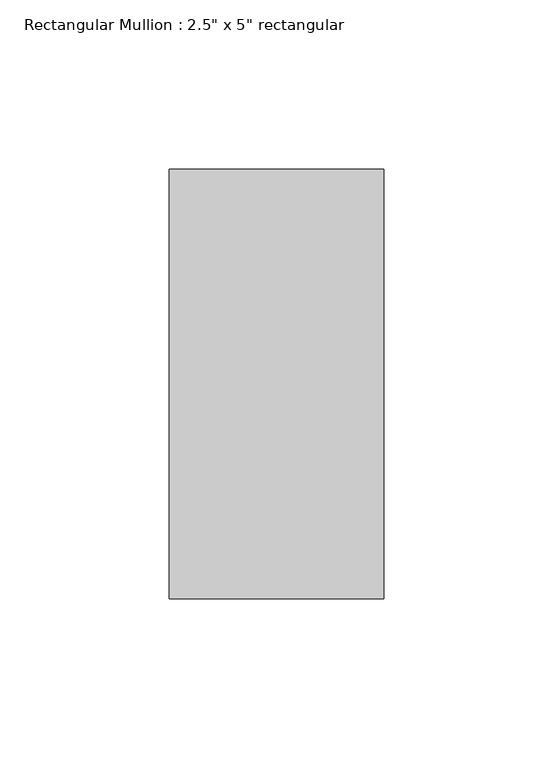
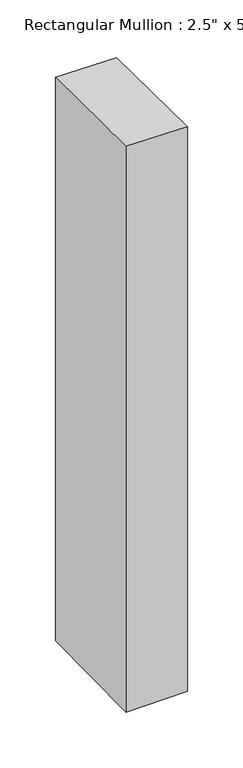
"""IFC4 building model written with IfcOpenShell, lengths in millimetres: member geometry."""

from ifc_helpers import new_model, si_unit, origin, place, context, project, spatial, faceted_brep, source, transform, mapped, element, save


def member_e09c535d(model_context):
    return source(origin(), model_context, "Body", "Brep", [
        faceted_brep([(-63.5, 63.5, -0.0301392), (0.0, 63.5, -0.7491185), (0.0, 63.5, -616.6728451), (-63.5, 63.5, -617.352543), (-63.5, -63.5, 1.4680977), (-63.5, -63.5, -618.8402354), (0.0, -63.5, 0.7491185), (0.0, -63.5, -618.1605375)], [[[0, 1, 2, 3]], [[4, 0, 3, 5]], [[6, 4, 5, 7]], [[1, 6, 7, 2]], [[1, 0, 4, 6]], [[2, 7, 5, 3]]]),
    ])


if __name__ == "__main__":
    model = new_model("IFC4")
    model_context = context("Model", 3, world=origin())
    ifc_project = project(units=[si_unit("LENGTHUNIT", "METRE", prefix="MILLI")], contexts=[model_context])
    site = spatial("IfcSite", under=ifc_project)
    building = spatial("IfcBuilding", under=site)
    placement = place(None, origin())
    member_shape = member_e09c535d(model_context)
    element("IfcMember", 1, ObjectType="Rectangular Mullion : 2.5\" x 5\" rectangular", at=placement, inside=building, context=model_context, shape_type="MappedRepresentation", body=[
        mapped(member_shape, transform((0.0, 0.0, 0.0), x_axis=(1.0, 0.0, 0.0), y_axis=(0.0, 1.0, 0.0), z_axis=(0.0, 0.0, 1.0))),
    ])
    save(model, "model.ifc")
